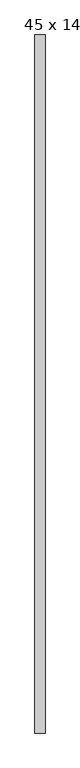
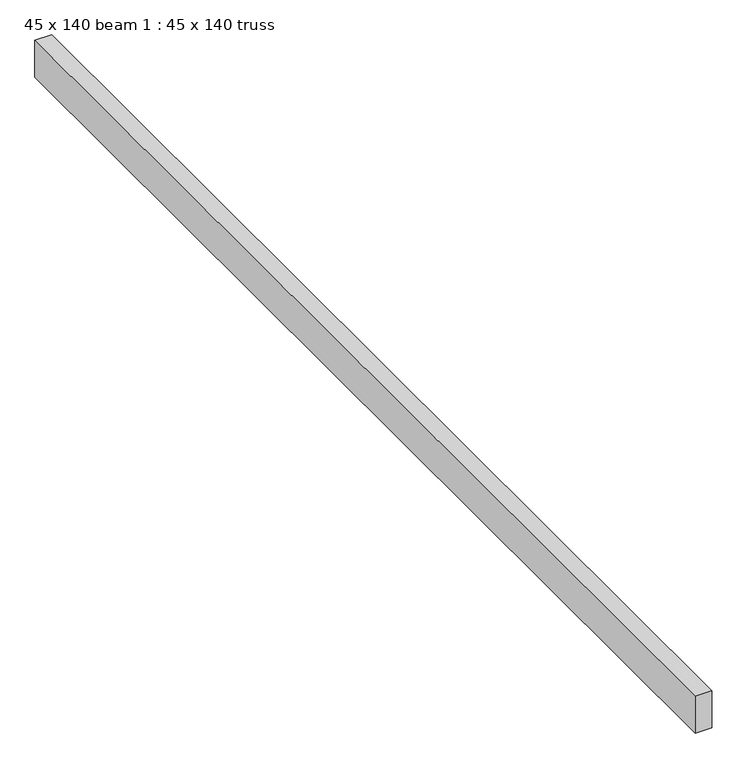
"""IFC4 building model written with IfcOpenShell, lengths in millimetres: proxy geometry, 45 x 140 beam 1 : 45 x 140 truss."""

from ifc_helpers import new_model, si_unit, frame, origin, place, context, project, spatial, polyline, outline, extrude, source, transform, mapped, element, save


def proxy_45_x_140_beam_1_45_x_140_truss_1c0dbfa9(model_context):
    return source(origin(), model_context, "Body", "SweptSolid", [
        extrude(outline(polyline([(-1245.481876, -4501.6784404), (-1290.481876, -4501.6784404), (-1290.481876, -1411.6784404), (-1245.481876, -1411.6784404), (-1245.481876, -4501.6784404)])), frame((0.0, 0.0, 3679.1177703), z_axis=(0.0, 0.0, 1.0), x_axis=(1.0, 0.0, 0.0)), (0.0, 0.0, 1.0), 105.1275103),
    ])


if __name__ == "__main__":
    model = new_model("IFC4")
    model_context = context("Model", 3, world=origin())
    ifc_project = project(units=[si_unit("LENGTHUNIT", "METRE", prefix="MILLI")], contexts=[model_context])
    site = spatial("IfcSite", under=ifc_project)
    building = spatial("IfcBuilding", under=site)
    placement = place(None, origin())
    proxy_45_x_140_beam_1_45_x_140_truss_shape = proxy_45_x_140_beam_1_45_x_140_truss_1c0dbfa9(model_context)
    element("IfcBuildingElementProxy", 1, Name="45 x 140 beam 1 : 45 x 140 truss", ObjectType="45 x 140 beam 1 : 45 x 140 truss", at=placement, inside=building, context=model_context, shape_type="MappedRepresentation", body=[
        mapped(proxy_45_x_140_beam_1_45_x_140_truss_shape, transform((0.0, 0.0, 0.0), x_axis=(1.0, 0.0, 0.0), y_axis=(0.0, 1.0, 0.0), z_axis=(0.0, 0.0, 1.0))),
    ])
    save(model, "model.ifc")
